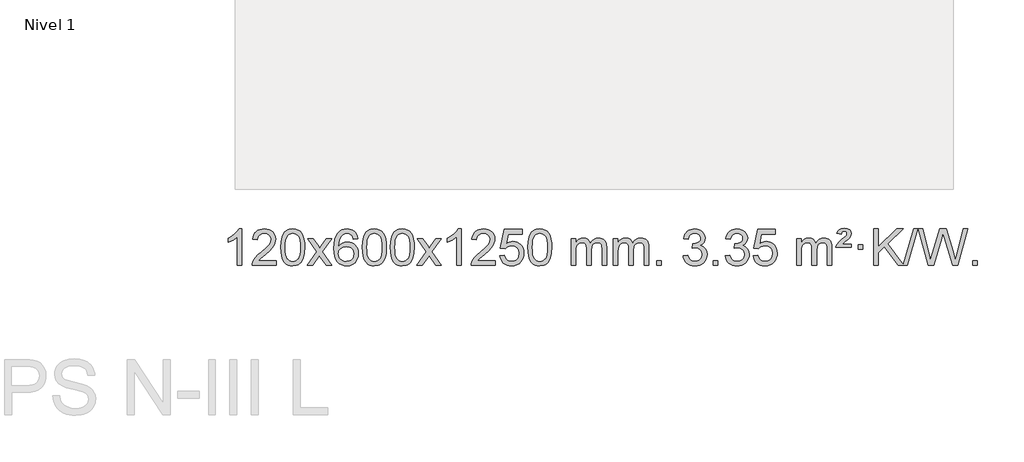
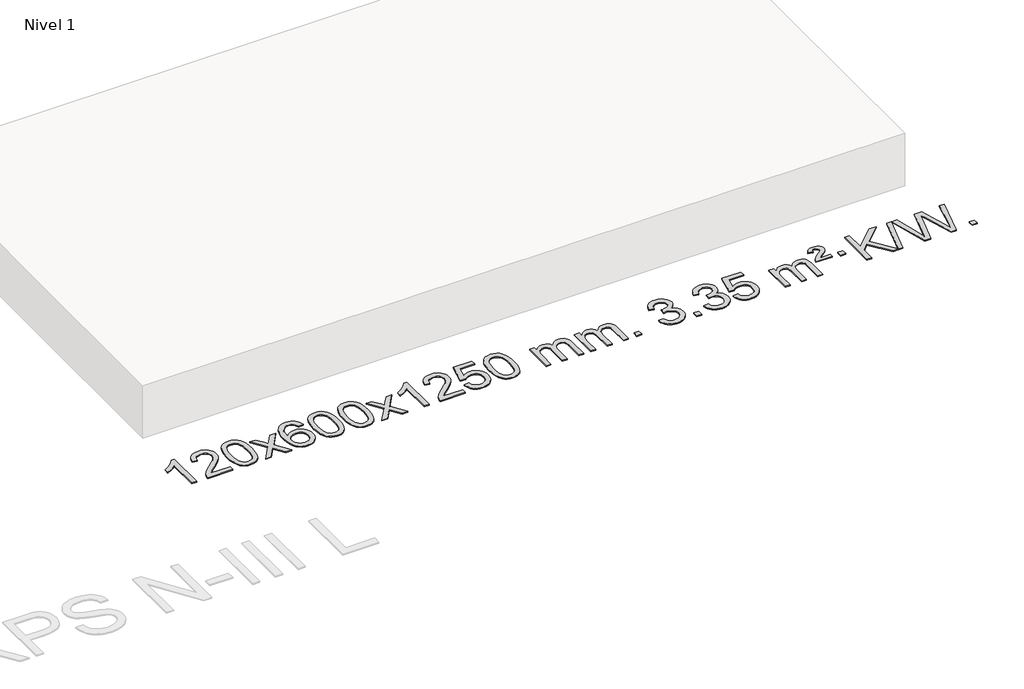
# One storey, part 5 of 7: 1 proxy.
"""IFC4 building model written with IfcOpenShell, lengths in millimetres."""

from ifc_helpers import new_model, si_unit, origin, origin_with_axes, place, context, project, spatial, polyline, outline, extrude, element, save

model = new_model("IFC4")

# Units and contexts
model_context = context("Model", 3, world=origin())
ifc_project = project(units=[si_unit("LENGTHUNIT", "METRE", prefix="MILLI")], contexts=[model_context])

# Site, building, storey
site = spatial("IfcSite", under=ifc_project)
building = spatial("IfcBuilding", under=site)
storey = spatial("IfcBuildingStorey", under=building, Name="Nivel 1", Elevation=0.0)

# Proxy
placement = place(None, origin())
element("IfcBuildingElementProxy", 1, Name="Texto de modelo 1", ObjectType="Texto de modelo 1", at=placement, inside=storey, context=model_context, shape_type="SweptSolid", body=[
    extrude(outline(polyline([(-13245.4422492, -12784.6168569), (-13295.6704043, -12784.6168569), (-13295.6704043, -12471.4757026), (-13316.639678, -12488.4350626), (-13343.249809, -12505.3698971), (-13396.1267145, -12530.7292293), (-13396.1267145, -12483.2479264), (-13356.6775018, -12461.7881434), (-13322.5012645, -12436.2571329), (-13295.5600397, -12409.1074417), (-13277.8158648, -12382.7916163), (-13245.4422492, -12382.7916163), (-13245.4422492, -12784.6168569)])), origin_with_axes(), (0.0, 0.0, 1.0), 10.0),
    extrude(outline(polyline([(-12868.7310862, -12734.3887018), (-12868.7310862, -12784.6168569), (-13132.4289003, -12784.6168569), (-13131.3252543, -12766.9339956), (-13127.0332977, -12749.9868984), (-13114.6479372, -12722.9230463), (-13096.5236176, -12696.6685346), (-13070.3058941, -12669.1877495), (-13033.6403219, -12638.4450775), (-12979.4390413, -12590.301587), (-12946.9182729, -12554.7641863), (-12930.6578887, -12525.9222379), (-12925.2377606, -12497.8651044), (-12930.3513204, -12472.7142386), (-12945.6919996, -12451.8062786), (-12969.2732355, -12437.7163982), (-12999.1084653, -12433.0197713), (-13030.4397485, -12437.6060336), (-13054.7812739, -12451.3648202), (-13070.4898351, -12473.2170107), (-13075.9222259, -12502.0834846), (-13126.1503809, -12495.8049652), (-13121.8308332, -12469.8754159), (-13113.9734869, -12447.2200164), (-13102.5783421, -12427.8387666), (-13087.6453988, -12411.7316666), (-13069.5180135, -12399.0703946), (-13048.5395427, -12390.0266288), (-13024.7099864, -12384.6003694), (-12998.0293447, -12382.7916163), (-12971.1095797, -12384.8027045), (-12947.1512648, -12390.8359692), (-12926.1543999, -12400.8914104), (-12908.1189851, -12414.9690281), (-12893.6336316, -12432.02649), (-12883.2869504, -12451.0214636), (-12877.0789418, -12471.9539492), (-12875.0096056, -12494.8239465), (-12877.241423, -12518.8466408), (-12883.9368753, -12542.4524022), (-12895.8194638, -12566.4628337), (-12913.6126896, -12591.6995386), (-12941.9763914, -12621.829074), (-12985.5704078, -12660.5179972), (-13043.3524066, -12708.8331659), (-13066.0139375, -12734.3887018), (-12868.7310862, -12734.3887018)])), origin_with_axes(), (0.0, 0.0, 1.0), 10.0),
    extrude(outline(polyline([(-12818.5029311, -12586.9415981), (-12814.8118484, -12522.6235626), (-12803.7386004, -12471.3285498), (-12785.3935515, -12432.2717446), (-12773.5354886, -12417.0383643), (-12759.8870665, -12404.6683323), (-12744.4023002, -12395.097269), (-12727.0352044, -12388.2607953), (-12686.654024, -12382.7916163), (-12655.7028855, -12386.0289778), (-12627.9891085, -12395.7410625), (-12604.8125428, -12411.5477256), (-12587.4730381, -12433.0688223), (-12574.3764391, -12460.1204117), (-12563.9285904, -12492.5185527), (-12557.0859853, -12533.6600225), (-12554.805117, -12586.9415981), (-12558.4594114, -12650.8917516), (-12569.4222949, -12702.0641372), (-12587.6569791, -12741.1577305), (-12599.487451, -12756.437096), (-12613.1266759, -12768.8715075), (-12628.6298363, -12778.5069501), (-12646.0521145, -12785.3894091), (-12686.654024, -12790.8953763), (-12714.3187501, -12788.5041433), (-12738.8442164, -12781.3304444), (-12760.2304231, -12769.3742795), (-12778.47737, -12752.6356488), (-12795.988553, -12722.3773547), (-12808.4965408, -12684.6755815), (-12816.0013335, -12639.5303293), (-12818.5029311, -12586.9415981)]), holes=[polyline([(-12768.274776, -12586.8434963), (-12766.803248, -12630.5080234), (-12762.3886641, -12665.8522861), (-12755.0310242, -12692.8762843), (-12744.7303283, -12711.5800181), (-12732.2713914, -12724.3056694), (-12718.4390284, -12733.3954204), (-12703.2332393, -12738.849271), (-12686.654024, -12740.6672212), (-12670.0748088, -12738.8431396), (-12654.8690196, -12733.3708949), (-12641.0366566, -12724.2504871), (-12628.5777197, -12711.4819162), (-12618.2770239, -12692.7475256), (-12610.919384, -12665.7296588), (-12606.5048, -12630.4283156), (-12605.033272, -12586.8434963), (-12606.4557491, -12544.3347317), (-12610.7231802, -12509.6128027), (-12617.8355655, -12482.6777093), (-12627.7929048, -12463.5294515), (-12640.0433752, -12450.1814664), (-12654.0351538, -12440.6471914), (-12669.7682404, -12434.9266264), (-12687.2426352, -12433.0197713), (-12703.7360113, -12434.6997658), (-12718.6842831, -12439.7397491), (-12732.0874504, -12448.1397213), (-12743.9455134, -12459.8996825), (-12754.5895658, -12480.7463289), (-12762.1924604, -12508.8525133), (-12766.7541971, -12544.2182358), (-12768.274776, -12586.8434963)])]), origin_with_axes(), (0.0, 0.0, 1.0), 10.0),
    extrude(outline(polyline([(-12529.6910394, -12784.6168569), (-12422.3675987, -12636.2868364), (-12523.41252, -12489.5264458), (-12462.981771, -12489.5264458), (-12414.2251439, -12560.1597889), (-12391.4655111, -12593.5144231), (-12371.7470362, -12566.2421045), (-12316.2213804, -12489.5264458), (-12255.7906313, -12489.5264458), (-12361.9368496, -12636.2868364), (-12259.7147059, -12784.6168569), (-12320.145455, -12784.6168569), (-12381.6553246, -12695.4422612), (-12392.9370391, -12679.1573516), (-12469.2602903, -12784.6168569), (-12529.6910394, -12784.6168569)])), origin_with_axes(), (0.0, 0.0, 1.0), 10.0),
    extrude(outline(polyline([(-11970.9028142, -12489.5264458), (-12021.1309693, -12495.8049652), (-12029.2243732, -12470.9116168), (-12040.1627312, -12453.9154687), (-12062.9468894, -12438.2436957), (-12090.4889881, -12433.0197713), (-12113.8372321, -12436.0609292), (-12135.8120499, -12445.1844027), (-12154.6843963, -12464.4001055), (-12170.0986519, -12490.850821), (-12180.5097123, -12528.2644199), (-12184.3724733, -12580.3687731), (-12164.2248027, -12556.8611137), (-12140.0794811, -12540.2941611), (-12113.2854091, -12530.4717119), (-12085.1914874, -12527.1975621), (-12061.0584285, -12529.4355109), (-12038.7893051, -12536.1493573), (-12018.3841171, -12547.3391013), (-11999.8428645, -12563.004743), (-11984.4347403, -12582.2143145), (-11973.4289372, -12604.0358482), (-11966.8254554, -12628.469344), (-11964.6242948, -12655.514802), (-11968.7690986, -12691.4813984), (-11981.2035101, -12724.8237699), (-12000.8974596, -12753.1016326), (-12026.8208775, -12773.8747026), (-12057.7965415, -12786.6402078), (-12092.6472291, -12790.8953763), (-12122.5897579, -12788.0749476), (-12149.6321502, -12779.6136617), (-12173.7744061, -12765.5115186), (-12195.0165257, -12745.7685182), (-12212.3345706, -12719.5507947), (-12224.7046027, -12686.0244822), (-12232.1266219, -12645.1895807), (-12234.6006284, -12597.0460903), (-12231.8537761, -12543.0716702), (-12223.6132194, -12497.006713), (-12209.8789583, -12458.8512188), (-12190.6509927, -12428.6051874), (-12169.8104776, -12408.56175), (-12145.6467619, -12394.2450091), (-12118.1598455, -12385.6549645), (-12087.3497284, -12382.7916163), (-12064.2160823, -12384.5635812), (-12043.2774654, -12389.879476), (-12024.5338777, -12398.7393008), (-12007.9853193, -12411.1430554), (-11994.0793799, -12426.6738069), (-11983.2636492, -12444.9146225), (-11975.5381274, -12465.8655021), (-11970.9028142, -12489.5264458)]), holes=[polyline([(-12184.3724733, -12654.7299871), (-12181.4662055, -12676.9868478), (-12172.7474022, -12698.2381644), (-12159.2093448, -12716.5096368), (-12141.8453146, -12729.8269651), (-12120.8883036, -12737.9571571), (-12096.5713038, -12740.6672212), (-12063.425136, -12735.0508894), (-12049.5099995, -12728.0304746), (-12037.366828, -12718.201894), (-12027.5167876, -12705.9636863), (-12020.4810444, -12691.7143904), (-12014.8524499, -12657.1825337), (-12020.407468, -12624.036366), (-12027.3512407, -12610.4155351), (-12037.0725224, -12598.7628729), (-12049.2524821, -12589.4278673), (-12063.5722888, -12582.7600061), (-12098.6314429, -12577.4257172), (-12131.7285598, -12582.7600061), (-12159.4055485, -12598.7628729), (-12170.3285781, -12610.2622509), (-12178.1307421, -12623.4232293), (-12182.8120405, -12638.245808), (-12184.3724733, -12654.7299871)])]), origin_with_axes(), (0.0, 0.0, 1.0), 10.0),
    extrude(outline(polyline([(-11920.6746591, -12586.9415981), (-11916.9835765, -12522.6235626), (-11905.9103284, -12471.3285498), (-11887.5652796, -12432.2717446), (-11875.7072166, -12417.0383643), (-11862.0587946, -12404.6683323), (-11846.5740283, -12395.097269), (-11829.2069324, -12388.2607953), (-11788.8257521, -12382.7916163), (-11757.8746135, -12386.0289778), (-11730.1608366, -12395.7410625), (-11706.9842709, -12411.5477256), (-11689.6447662, -12433.0688223), (-11676.5481671, -12460.1204117), (-11666.1003185, -12492.5185527), (-11659.2577134, -12533.6600225), (-11656.976845, -12586.9415981), (-11660.6311395, -12650.8917516), (-11671.5940229, -12702.0641372), (-11689.8287072, -12741.1577305), (-11701.659179, -12756.437096), (-11715.298404, -12768.8715075), (-11730.8015644, -12778.5069501), (-11748.2238425, -12785.3894091), (-11788.8257521, -12790.8953763), (-11816.4904781, -12788.5041433), (-11841.0159444, -12781.3304444), (-11862.4021511, -12769.3742795), (-11880.6490981, -12752.6356488), (-11898.160281, -12722.3773547), (-11910.6682689, -12684.6755815), (-11918.1730616, -12639.5303293), (-11920.6746591, -12586.9415981)]), holes=[polyline([(-11870.4465041, -12586.8434963), (-11868.9749761, -12630.5080234), (-11864.5603921, -12665.8522861), (-11857.2027522, -12692.8762843), (-11846.9020564, -12711.5800181), (-11834.4431195, -12724.3056694), (-11820.6107564, -12733.3954204), (-11805.4049673, -12738.849271), (-11788.8257521, -12740.6672212), (-11772.2465368, -12738.8431396), (-11757.0407477, -12733.3708949), (-11743.2083847, -12724.2504871), (-11730.7494478, -12711.4819162), (-11720.4487519, -12692.7475256), (-11713.091112, -12665.7296588), (-11708.676528, -12630.4283156), (-11707.2050001, -12586.8434963), (-11708.6274771, -12544.3347317), (-11712.8949083, -12509.6128027), (-11720.0072935, -12482.6777093), (-11729.9646328, -12463.5294515), (-11742.2151033, -12450.1814664), (-11756.2068818, -12440.6471914), (-11771.9399685, -12434.9266264), (-11789.4143633, -12433.0197713), (-11805.9077394, -12434.6997658), (-11820.8560111, -12439.7397491), (-11834.2591785, -12448.1397213), (-11846.1172414, -12459.8996825), (-11856.7612938, -12480.7463289), (-11864.3641884, -12508.8525133), (-11868.9259251, -12544.2182358), (-11870.4465041, -12586.8434963)])]), origin_with_axes(), (0.0, 0.0, 1.0), 10.0),
    extrude(outline(polyline([(-11613.0272093, -12586.9415981), (-11609.3361266, -12522.6235626), (-11598.2628786, -12471.3285498), (-11579.9178297, -12432.2717446), (-11568.0597668, -12417.0383643), (-11554.4113447, -12404.6683323), (-11538.9265784, -12395.097269), (-11521.5594826, -12388.2607953), (-11481.1783022, -12382.7916163), (-11450.2271637, -12386.0289778), (-11422.5133867, -12395.7410625), (-11399.336821, -12411.5477256), (-11381.9973163, -12433.0688223), (-11368.9007173, -12460.1204117), (-11358.4528686, -12492.5185527), (-11351.6102635, -12533.6600225), (-11349.3293952, -12586.9415981), (-11352.9836896, -12650.8917516), (-11363.9465731, -12702.0641372), (-11382.1812573, -12741.1577305), (-11394.0117292, -12756.437096), (-11407.6509541, -12768.8715075), (-11423.1541145, -12778.5069501), (-11440.5763927, -12785.3894091), (-11481.1783022, -12790.8953763), (-11508.8430283, -12788.5041433), (-11533.3684946, -12781.3304444), (-11554.7547013, -12769.3742795), (-11573.0016482, -12752.6356488), (-11590.5128312, -12722.3773547), (-11603.020819, -12684.6755815), (-11610.5256117, -12639.5303293), (-11613.0272093, -12586.9415981)]), holes=[polyline([(-11562.7990542, -12586.8434963), (-11561.3275262, -12630.5080234), (-11556.9129423, -12665.8522861), (-11549.5553024, -12692.8762843), (-11539.2546065, -12711.5800181), (-11526.7956696, -12724.3056694), (-11512.9633066, -12733.3954204), (-11497.7575175, -12738.849271), (-11481.1783022, -12740.6672212), (-11464.599087, -12738.8431396), (-11449.3932978, -12733.3708949), (-11435.5609348, -12724.2504871), (-11423.1019979, -12711.4819162), (-11412.8013021, -12692.7475256), (-11405.4436622, -12665.7296588), (-11401.0290782, -12630.4283156), (-11399.5575502, -12586.8434963), (-11400.9800273, -12544.3347317), (-11405.2474584, -12509.6128027), (-11412.3598437, -12482.6777093), (-11422.317183, -12463.5294515), (-11434.5676534, -12450.1814664), (-11448.559432, -12440.6471914), (-11464.2925187, -12434.9266264), (-11481.7669134, -12433.0197713), (-11498.2602895, -12434.6997658), (-11513.2085613, -12439.7397491), (-11526.6117286, -12448.1397213), (-11538.4697916, -12459.8996825), (-11549.113844, -12480.7463289), (-11556.7167386, -12508.8525133), (-11561.2784753, -12544.2182358), (-11562.7990542, -12586.8434963)])]), origin_with_axes(), (0.0, 0.0, 1.0), 10.0),
    extrude(outline(polyline([(-11324.2153176, -12784.6168569), (-11216.8918769, -12636.2868364), (-11317.9367982, -12489.5264458), (-11257.5060492, -12489.5264458), (-11208.7494221, -12560.1597889), (-11185.9897893, -12593.5144231), (-11166.2713144, -12566.2421045), (-11110.7456586, -12489.5264458), (-11050.3149095, -12489.5264458), (-11156.4611278, -12636.2868364), (-11054.2389841, -12784.6168569), (-11114.6697332, -12784.6168569), (-11176.1796028, -12695.4422612), (-11187.4613173, -12679.1573516), (-11263.7845685, -12784.6168569), (-11324.2153176, -12784.6168569)])), origin_with_axes(), (0.0, 0.0, 1.0), 10.0),
    extrude(outline(polyline([(-10834.4908056, -12784.6168569), (-10884.7189607, -12784.6168569), (-10884.7189607, -12471.4757026), (-10905.6882344, -12488.4350626), (-10932.2983654, -12505.3698971), (-10985.1752709, -12530.7292293), (-10985.1752709, -12483.2479264), (-10945.7260583, -12461.7881434), (-10911.5498209, -12436.2571329), (-10884.6085961, -12409.1074417), (-10866.8644212, -12382.7916163), (-10834.4908056, -12382.7916163), (-10834.4908056, -12784.6168569)])), origin_with_axes(), (0.0, 0.0, 1.0), 10.0),
    extrude(outline(polyline([(-10457.7796426, -12734.3887018), (-10457.7796426, -12784.6168569), (-10721.4774567, -12784.6168569), (-10720.3738107, -12766.9339956), (-10716.0818541, -12749.9868984), (-10703.6964936, -12722.9230463), (-10685.572174, -12696.6685346), (-10659.3544505, -12669.1877495), (-10622.6888783, -12638.4450775), (-10568.4875977, -12590.301587), (-10535.9668293, -12554.7641863), (-10519.7064451, -12525.9222379), (-10514.286317, -12497.8651044), (-10519.3998768, -12472.7142386), (-10534.740556, -12451.8062786), (-10558.3217919, -12437.7163982), (-10588.1570217, -12433.0197713), (-10619.4883049, -12437.6060336), (-10643.8298303, -12451.3648202), (-10659.5383915, -12473.2170107), (-10664.9707823, -12502.0834846), (-10715.1989373, -12495.8049652), (-10710.8793896, -12469.8754159), (-10703.0220433, -12447.2200164), (-10691.6268985, -12427.8387666), (-10676.6939552, -12411.7316666), (-10658.5665699, -12399.0703946), (-10637.5880991, -12390.0266288), (-10613.7585429, -12384.6003694), (-10587.0779012, -12382.7916163), (-10560.1581362, -12384.8027045), (-10536.1998212, -12390.8359692), (-10515.2029563, -12400.8914104), (-10497.1675415, -12414.9690281), (-10482.682188, -12432.02649), (-10472.3355069, -12451.0214636), (-10466.1274982, -12471.9539492), (-10464.058162, -12494.8239465), (-10466.2899794, -12518.8466408), (-10472.9854317, -12542.4524022), (-10484.8680202, -12566.4628337), (-10502.661246, -12591.6995386), (-10531.0249478, -12621.829074), (-10574.6189643, -12660.5179972), (-10632.400963, -12708.8331659), (-10655.0624939, -12734.3887018), (-10457.7796426, -12734.3887018)])), origin_with_axes(), (0.0, 0.0, 1.0), 10.0),
    extrude(outline(polyline([(-10407.5514875, -12677.8820273), (-10357.3233324, -12671.603508), (-10348.1017571, -12701.7575688), (-10332.0130512, -12723.3522419), (-10309.1307911, -12736.3384764), (-10279.5285532, -12740.6672212), (-10260.3986894, -12739.1619707), (-10243.5251686, -12734.6462192), (-10228.9079907, -12727.1199667), (-10216.5471556, -12716.5832132), (-10206.718575, -12703.5571249), (-10199.6981602, -12688.5628679), (-10194.0818284, -12652.6698479), (-10199.342541, -12618.8737553), (-10205.9184316, -12604.9555532), (-10215.1246786, -12593.0239138), (-10226.9919386, -12583.4528505), (-10241.5508686, -12576.6163768), (-10278.7437383, -12571.1471978), (-10303.1097891, -12573.3299643), (-10322.8405268, -12579.8782638), (-10338.5981389, -12589.9091796), (-10351.044813, -12602.5397947), (-10401.2729681, -12596.2612753), (-10357.3233324, -12389.0701357), (-10162.6892315, -12389.0701357), (-10162.6892315, -12439.2982907), (-10316.7091602, -12439.2982907), (-10338.1934687, -12549.9571949), (-10320.4676879, -12537.2530033), (-10302.3127114, -12528.1785808), (-10283.7285393, -12522.7339272), (-10264.7151715, -12520.9190427), (-10240.2540845, -12523.1692543), (-10217.7856917, -12529.9198889), (-10197.3099929, -12541.1709466), (-10178.8269884, -12556.9224273), (-10163.5261631, -12576.2117066), (-10152.5970021, -12598.0761598), (-10146.0395056, -12622.5157871), (-10143.8536734, -12649.5305882), (-10145.821842, -12675.552108), (-10151.7263481, -12699.7587433), (-10161.5671914, -12722.1504941), (-10175.3443722, -12742.7273604), (-10196.215544, -12763.8008673), (-10220.5693321, -12778.8533723), (-10248.4057364, -12787.8848753), (-10279.7247569, -12790.8953763), (-10305.6451092, -12788.9609301), (-10329.0577325, -12783.1575916), (-10349.9626268, -12773.4853608), (-10368.3597923, -12759.9442377), (-10383.666749, -12743.2086726), (-10395.3010171, -12723.9531159), (-10403.2625966, -12702.1775674), (-10407.5514875, -12677.8820273)])), origin_with_axes(), (0.0, 0.0, 1.0), 10.0),
    extrude(outline(polyline([(-10099.9040377, -12586.9415981), (-10096.212955, -12522.6235626), (-10085.1397069, -12471.3285498), (-10066.7946581, -12432.2717446), (-10054.9365951, -12417.0383643), (-10041.2881731, -12404.6683323), (-10025.8034068, -12395.097269), (-10008.4363109, -12388.2607953), (-9968.0551306, -12382.7916163), (-9937.1039921, -12386.0289778), (-9909.3902151, -12395.7410625), (-9886.2136494, -12411.5477256), (-9868.8741447, -12433.0688223), (-9855.7775457, -12460.1204117), (-9845.329697, -12492.5185527), (-9838.4870919, -12533.6600225), (-9836.2062235, -12586.9415981), (-9839.860518, -12650.8917516), (-9850.8234015, -12702.0641372), (-9869.0580857, -12741.1577305), (-9880.8885575, -12756.437096), (-9894.5277825, -12768.8715075), (-9910.0309429, -12778.5069501), (-9927.4532211, -12785.3894091), (-9968.0551306, -12790.8953763), (-9995.7198566, -12788.5041433), (-10020.245323, -12781.3304444), (-10041.6315296, -12769.3742795), (-10059.8784766, -12752.6356488), (-10077.3896596, -12722.3773547), (-10089.8976474, -12684.6755815), (-10097.4024401, -12639.5303293), (-10099.9040377, -12586.9415981)]), holes=[polyline([(-10049.6758826, -12586.8434963), (-10048.2043546, -12630.5080234), (-10043.7897707, -12665.8522861), (-10036.4321308, -12692.8762843), (-10026.1314349, -12711.5800181), (-10013.672498, -12724.3056694), (-9999.840135, -12733.3954204), (-9984.6343459, -12738.849271), (-9968.0551306, -12740.6672212), (-9951.4759154, -12738.8431396), (-9936.2701262, -12733.3708949), (-9922.4377632, -12724.2504871), (-9909.9788263, -12711.4819162), (-9899.6781304, -12692.7475256), (-9892.3204905, -12665.7296588), (-9887.9059066, -12630.4283156), (-9886.4343786, -12586.8434963), (-9887.8568557, -12544.3347317), (-9892.1242868, -12509.6128027), (-9899.236672, -12482.6777093), (-9909.1940114, -12463.5294515), (-9921.4444818, -12450.1814664), (-9935.4362604, -12440.6471914), (-9951.169347, -12434.9266264), (-9968.6437418, -12433.0197713), (-9985.1371179, -12434.6997658), (-10000.0853897, -12439.7397491), (-10013.488557, -12448.1397213), (-10025.34662, -12459.8996825), (-10035.9906724, -12480.7463289), (-10043.5935669, -12508.8525133), (-10048.1553037, -12544.2182358), (-10049.6758826, -12586.8434963)])]), origin_with_axes(), (0.0, 0.0, 1.0), 10.0),
    extrude(outline(polyline([(-9622.7365645, -12784.6168569), (-9622.7365645, -12489.5264458), (-9572.5084094, -12489.5264458), (-9572.5084094, -12538.0868692), (-9557.4007221, -12515.7809575), (-9537.9765528, -12498.3065628), (-9514.8980889, -12487.0125855), (-9488.8275182, -12483.2479264), (-9460.8930121, -12487.0861619), (-9438.5012613, -12498.6008684), (-9421.7748932, -12517.0317563), (-9410.8365352, -12541.6185363), (-9392.5282746, -12516.0813945), (-9371.64484, -12497.8405789), (-9348.1862315, -12486.8960895), (-9322.1524489, -12483.2479264), (-9302.0446322, -12484.7654397), (-9284.3954935, -12489.3179793), (-9269.2050328, -12496.9055455), (-9256.4732501, -12507.5281381), (-9246.4086118, -12521.3083845), (-9239.2195845, -12538.368912), (-9234.9061681, -12558.7097207), (-9233.4683626, -12582.3308105), (-9233.4683626, -12784.6168569), (-9283.6965177, -12784.6168569), (-9283.6965177, -12603.9132208), (-9284.8614774, -12578.860457), (-9288.3563563, -12561.9746734), (-9294.9046558, -12550.410916), (-9305.2298772, -12541.3242307), (-9318.5104172, -12535.4381188), (-9333.9246728, -12533.4760815), (-9361.1356777, -12538.5038021), (-9383.318962, -12553.5869639), (-9391.924335, -12565.1568526), (-9398.07103, -12579.7556365), (-9402.988386, -12618.0398895), (-9402.988386, -12784.6168569), (-9453.2165411, -12784.6168569), (-9453.2165411, -12598.3214145), (-9456.1228088, -12569.9209245), (-9464.8416121, -12549.6628893), (-9480.1822913, -12537.5227834), (-9502.9541868, -12533.4760815), (-9522.3047798, -12536.1738828), (-9540.1347938, -12544.2672867), (-9554.8500736, -12557.5600894), (-9564.8564639, -12575.8560873), (-9570.595423, -12601.239945), (-9572.5084094, -12635.7963271), (-9572.5084094, -12784.6168569), (-9622.7365645, -12784.6168569)])), origin_with_axes(), (0.0, 0.0, 1.0), 10.0),
    extrude(outline(polyline([(-9158.12613, -12784.6168569), (-9158.12613, -12489.5264458), (-9107.8979749, -12489.5264458), (-9107.8979749, -12538.0868692), (-9092.7902877, -12515.7809575), (-9073.3661183, -12498.3065628), (-9050.2876545, -12487.0125855), (-9024.2170838, -12483.2479264), (-8996.2825776, -12487.0861619), (-8973.8908268, -12498.6008684), (-8957.1644588, -12517.0317563), (-8946.2261008, -12541.6185363), (-8927.9178402, -12516.0813945), (-8907.0344056, -12497.8405789), (-8883.575797, -12486.8960895), (-8857.5420145, -12483.2479264), (-8837.4341978, -12484.7654397), (-8819.7850591, -12489.3179793), (-8804.5945983, -12496.9055455), (-8791.8628156, -12507.5281381), (-8781.7981774, -12521.3083845), (-8774.6091501, -12538.368912), (-8770.2957337, -12558.7097207), (-8768.8579282, -12582.3308105), (-8768.8579282, -12784.6168569), (-8819.0860833, -12784.6168569), (-8819.0860833, -12603.9132208), (-8820.2510429, -12578.860457), (-8823.7459219, -12561.9746734), (-8830.2942214, -12550.410916), (-8840.6194427, -12541.3242307), (-8853.8999827, -12535.4381188), (-8869.3142383, -12533.4760815), (-8896.5252433, -12538.5038021), (-8918.7085276, -12553.5869639), (-8927.3139006, -12565.1568526), (-8933.4605956, -12579.7556365), (-8938.3779516, -12618.0398895), (-8938.3779516, -12784.6168569), (-8988.6061066, -12784.6168569), (-8988.6061066, -12598.3214145), (-8991.5123744, -12569.9209245), (-9000.2311777, -12549.6628893), (-9015.5718569, -12537.5227834), (-9038.3437524, -12533.4760815), (-9057.6943453, -12536.1738828), (-9075.5243594, -12544.2672867), (-9090.2396392, -12557.5600894), (-9100.2460294, -12575.8560873), (-9105.9849886, -12601.239945), (-9107.8979749, -12635.7963271), (-9107.8979749, -12784.6168569), (-9158.12613, -12784.6168569)])), origin_with_axes(), (0.0, 0.0, 1.0), 10.0),
    extrude(outline(polyline([(-8680.9586568, -12784.6168569), (-8680.9586568, -12734.3887018), (-8630.7305017, -12734.3887018), (-8630.7305017, -12784.6168569), (-8680.9586568, -12784.6168569)])), origin_with_axes(), (0.0, 0.0, 1.0), 10.0),
    extrude(outline(polyline([(-8392.1467651, -12677.8820273), (-8341.9186101, -12671.603508), (-8330.6736837, -12703.1677831), (-8314.2048331, -12724.4804134), (-8291.7027177, -12736.6205192), (-8262.3579972, -12740.6672212), (-8227.9242425, -12735.0999403), (-8213.6504211, -12728.1408392), (-8201.338637, -12718.3980977), (-8184.3424888, -12693.4802239), (-8178.6771061, -12663.2648494), (-8184.2934379, -12634.5823165), (-8201.1424332, -12611.3199117), (-8226.6489182, -12595.9056561), (-8258.2377189, -12590.7675709), (-8293.4562886, -12596.2612753), (-8287.8644822, -12546.0331203), (-8279.8201293, -12546.6217315), (-8249.7273821, -12543.0164879), (-8222.8229455, -12532.2007572), (-8211.7496974, -12524.0215142), (-8203.8402345, -12513.9047594), (-8199.0945568, -12501.8504926), (-8197.5126642, -12487.8587141), (-8202.0989264, -12466.1659391), (-8215.857713, -12448.568917), (-8236.8515122, -12436.9070578), (-8263.1428122, -12433.0197713), (-8289.483163, -12436.943846), (-8311.0165225, -12448.7160698), (-8326.7373464, -12468.3364429), (-8335.6400907, -12495.8049652), (-8385.8682457, -12489.5264458), (-8379.9146888, -12465.5466711), (-8371.0793895, -12444.4241132), (-8359.362348, -12426.1587721), (-8344.7635642, -12410.7506479), (-8327.7428905, -12398.5185716), (-8308.7601796, -12389.7813742), (-8287.8154313, -12384.5390557), (-8264.9086457, -12382.7916163), (-8233.3321078, -12386.2374443), (-8204.3307439, -12396.5749284), (-8179.8788539, -12412.8843635), (-8161.950738, -12434.2460447), (-8150.9510664, -12458.8573501), (-8147.2845091, -12484.9156581), (-8150.7671254, -12509.1958698), (-8161.214974, -12531.2197386), (-8178.4809023, -12549.9817203), (-8202.4177575, -12564.476271), (-8170.9761096, -12577.1804625), (-8147.6769166, -12598.8119238), (-8133.2559424, -12628.1934325), (-8128.448951, -12664.1477662), (-8130.8524467, -12689.6297257), (-8138.0629338, -12713.100597), (-8150.0804123, -12734.5603801), (-8166.9048822, -12754.0090749), (-8187.4020407, -12770.1468317), (-8210.437585, -12781.6738009), (-8236.011515, -12788.5899824), (-8264.1238308, -12790.8953763), (-8289.5322139, -12788.9272076), (-8312.6842542, -12783.0227016), (-8333.5799515, -12773.1818582), (-8352.2193059, -12759.4046775), (-8367.8481593, -12742.5004998), (-8379.7123537, -12723.2786655), (-8387.811889, -12701.7391747), (-8392.1467651, -12677.8820273)])), origin_with_axes(), (0.0, 0.0, 1.0), 10.0),
    extrude(outline(polyline([(-8059.3852378, -12784.6168569), (-8059.3852378, -12734.3887018), (-8009.1570827, -12734.3887018), (-8009.1570827, -12784.6168569), (-8059.3852378, -12784.6168569)])), origin_with_axes(), (0.0, 0.0, 1.0), 10.0),
    extrude(outline(polyline([(-7927.5363307, -12677.8820273), (-7877.3081756, -12671.603508), (-7866.0632493, -12703.1677831), (-7849.5943986, -12724.4804134), (-7827.0922833, -12736.6205192), (-7797.7475628, -12740.6672212), (-7763.313808, -12735.0999403), (-7749.0399866, -12728.1408392), (-7736.7282025, -12718.3980977), (-7719.7320543, -12693.4802239), (-7714.0666716, -12663.2648494), (-7719.6830034, -12634.5823165), (-7736.5319988, -12611.3199117), (-7762.0384838, -12595.9056561), (-7793.6272844, -12590.7675709), (-7828.8458541, -12596.2612753), (-7823.2540478, -12546.0331203), (-7815.2096948, -12546.6217315), (-7785.1169476, -12543.0164879), (-7758.212511, -12532.2007572), (-7747.139263, -12524.0215142), (-7739.2298001, -12513.9047594), (-7734.4841224, -12501.8504926), (-7732.9022298, -12487.8587141), (-7737.488492, -12466.1659391), (-7751.2472786, -12448.568917), (-7772.2410778, -12436.9070578), (-7798.5323777, -12433.0197713), (-7824.8727286, -12436.943846), (-7846.406088, -12448.7160698), (-7862.1269119, -12468.3364429), (-7871.0296562, -12495.8049652), (-7921.2578113, -12489.5264458), (-7915.3042543, -12465.5466711), (-7906.4689551, -12444.4241132), (-7894.7519136, -12426.1587721), (-7880.1531297, -12410.7506479), (-7863.1324561, -12398.5185716), (-7844.1497451, -12389.7813742), (-7823.2049969, -12384.5390557), (-7800.2982113, -12382.7916163), (-7768.7216734, -12386.2374443), (-7739.7203094, -12396.5749284), (-7715.2684195, -12412.8843635), (-7697.3403036, -12434.2460447), (-7686.3406319, -12458.8573501), (-7682.6740747, -12484.9156581), (-7686.1566909, -12509.1958698), (-7696.6045396, -12531.2197386), (-7713.8704679, -12549.9817203), (-7737.807323, -12564.476271), (-7706.3656752, -12577.1804625), (-7683.0664822, -12598.8119238), (-7668.645508, -12628.1934325), (-7663.8385165, -12664.1477662), (-7666.2420122, -12689.6297257), (-7673.4524994, -12713.100597), (-7685.4699779, -12734.5603801), (-7702.2944478, -12754.0090749), (-7722.7916063, -12770.1468317), (-7745.8271505, -12781.6738009), (-7771.4010806, -12788.5899824), (-7799.5133964, -12790.8953763), (-7824.9217795, -12788.9272076), (-7848.0738197, -12783.0227016), (-7868.9695171, -12773.1818582), (-7887.6088715, -12759.4046775), (-7903.2377249, -12742.5004998), (-7915.1019193, -12723.2786655), (-7923.2014545, -12701.7391747), (-7927.5363307, -12677.8820273)])), origin_with_axes(), (0.0, 0.0, 1.0), 10.0),
    extrude(outline(polyline([(-7619.8888809, -12677.8820273), (-7569.6607258, -12671.603508), (-7560.4391504, -12701.7575688), (-7544.3504445, -12723.3522419), (-7521.4681844, -12736.3384764), (-7491.8659465, -12740.6672212), (-7472.7360828, -12739.1619707), (-7455.8625619, -12734.6462192), (-7441.245384, -12727.1199667), (-7428.884549, -12716.5832132), (-7419.0559683, -12703.5571249), (-7412.0355536, -12688.5628679), (-7406.4192218, -12652.6698479), (-7411.6799343, -12618.8737553), (-7418.255825, -12604.9555532), (-7427.4620719, -12593.0239138), (-7439.3293319, -12583.4528505), (-7453.8882619, -12576.6163768), (-7491.0811316, -12571.1471978), (-7515.4471824, -12573.3299643), (-7535.1779201, -12579.8782638), (-7550.9355322, -12589.9091796), (-7563.3822064, -12602.5397947), (-7613.6103615, -12596.2612753), (-7569.6607258, -12389.0701357), (-7375.0266249, -12389.0701357), (-7375.0266249, -12439.2982907), (-7529.0465535, -12439.2982907), (-7550.530862, -12549.9571949), (-7532.8050812, -12537.2530033), (-7514.6501048, -12528.1785808), (-7496.0659326, -12522.7339272), (-7477.0525649, -12520.9190427), (-7452.5914779, -12523.1692543), (-7430.123085, -12529.9198889), (-7409.6473863, -12541.1709466), (-7391.1643817, -12556.9224273), (-7375.8635564, -12576.2117066), (-7364.9343955, -12598.0761598), (-7358.3768989, -12622.5157871), (-7356.1910667, -12649.5305882), (-7358.1592354, -12675.552108), (-7364.0637414, -12699.7587433), (-7373.9045848, -12722.1504941), (-7387.6817655, -12742.7273604), (-7408.5529374, -12763.8008673), (-7432.9067254, -12778.8533723), (-7460.7431297, -12787.8848753), (-7492.0621503, -12790.8953763), (-7517.9825025, -12788.9609301), (-7541.3951258, -12783.1575916), (-7562.3000202, -12773.4853608), (-7580.6971856, -12759.9442377), (-7596.0041423, -12743.2086726), (-7607.6384104, -12723.9531159), (-7615.5999899, -12702.1775674), (-7619.8888809, -12677.8820273)])), origin_with_axes(), (0.0, 0.0, 1.0), 10.0),
    extrude(outline(polyline([(-7142.7214076, -12784.6168569), (-7142.7214076, -12489.5264458), (-7092.4932526, -12489.5264458), (-7092.4932526, -12538.0868692), (-7077.3855653, -12515.7809575), (-7057.961396, -12498.3065628), (-7034.8829321, -12487.0125855), (-7008.8123614, -12483.2479264), (-6980.8778552, -12487.0861619), (-6958.4861045, -12498.6008684), (-6941.7597364, -12517.0317563), (-6930.8213784, -12541.6185363), (-6912.5131178, -12516.0813945), (-6891.6296832, -12497.8405789), (-6868.1710746, -12486.8960895), (-6842.1372921, -12483.2479264), (-6822.0294754, -12484.7654397), (-6804.3803367, -12489.3179793), (-6789.189876, -12496.9055455), (-6776.4580932, -12507.5281381), (-6766.393455, -12521.3083845), (-6759.2044277, -12538.368912), (-6754.8910113, -12558.7097207), (-6753.4532058, -12582.3308105), (-6753.4532058, -12784.6168569), (-6803.6813609, -12784.6168569), (-6803.6813609, -12603.9132208), (-6804.8463205, -12578.860457), (-6808.3411995, -12561.9746734), (-6814.889499, -12550.410916), (-6825.2147203, -12541.3242307), (-6838.4952604, -12535.4381188), (-6853.909516, -12533.4760815), (-6881.1205209, -12538.5038021), (-6903.3038052, -12553.5869639), (-6911.9091782, -12565.1568526), (-6918.0558732, -12579.7556365), (-6922.9732292, -12618.0398895), (-6922.9732292, -12784.6168569), (-6973.2013843, -12784.6168569), (-6973.2013843, -12598.3214145), (-6976.107652, -12569.9209245), (-6984.8264553, -12549.6628893), (-7000.1671345, -12537.5227834), (-7022.93903, -12533.4760815), (-7042.289623, -12536.1738828), (-7060.119637, -12544.2672867), (-7074.8349168, -12557.5600894), (-7084.8413071, -12575.8560873), (-7090.5802662, -12601.239945), (-7092.4932526, -12635.7963271), (-7092.4932526, -12784.6168569), (-7142.7214076, -12784.6168569)])), origin_with_axes(), (0.0, 0.0, 1.0), 10.0),
    extrude(outline(polyline([(-6709.5035701, -12583.7042366), (-6705.6775974, -12567.8853108), (-6697.3389388, -12552.0173341), (-6675.8301048, -12526.878731), (-6643.8734222, -12499.1404286), (-6599.7275828, -12461.7636179), (-6592.5906721, -12450.2366487), (-6590.2117018, -12438.4153739), (-6592.1001627, -12426.324319), (-6597.7655455, -12416.538658), (-6607.1342736, -12410.0639348), (-6620.1327708, -12407.9056938), (-6632.5671822, -12409.5243746), (-6641.4208756, -12414.3804169), (-6647.8465477, -12423.8472469), (-6652.9968957, -12439.2982907), (-6703.2250507, -12433.0197713), (-6692.3847946, -12407.8075919), (-6675.7565284, -12390.247358), (-6651.9913515, -12379.9466622), (-6619.7403633, -12376.5130969), (-6583.9577079, -12380.645638), (-6559.2115124, -12393.0432612), (-6544.7905382, -12411.3760473), (-6539.9835467, -12433.3140769), (-6544.0792996, -12456.2208625), (-6556.3665583, -12477.8523238), (-6576.8943736, -12497.6689006), (-6613.3637421, -12525.7260341), (-6638.9683289, -12552.3116396), (-6539.9835467, -12552.3116396), (-6539.9835467, -12583.7042366), (-6709.5035701, -12583.7042366)])), origin_with_axes(), (0.0, 0.0, 1.0), 10.0),
    extrude(outline(polyline([(-6464.6413141, -12608.8183141), (-6464.6413141, -12558.590159), (-6414.4131591, -12558.590159), (-6414.4131591, -12608.8183141), (-6464.6413141, -12608.8183141)])), origin_with_axes(), (0.0, 0.0, 1.0), 10.0),
    extrude(outline(polyline([(-6023.7715311, -12784.6168569), (-6177.2028486, -12581.938403), (-6244.8931357, -12646.4894304), (-6244.8931357, -12784.6168569), (-6295.1212908, -12784.6168569), (-6295.1212908, -12382.7916163), (-6244.8931357, -12382.7916163), (-6244.8931357, -12579.4858564), (-6038.8792184, -12382.7916163), (-5968.6382828, -12382.7916163), (-6141.5918714, -12547.9951576), (-5966.9382616, -12778.5723371), (-5855.6249339, -12382.7916163), (-5810.301872, -12382.7916163), (-5923.315221, -12784.6168569), (-5962.3597634, -12784.6168569), (-5968.6382828, -12784.6168569), (-6023.7715311, -12784.6168569)])), origin_with_axes(), (0.0, 0.0, 1.0), 10.0),
    extrude(outline(polyline([(-5695.8169951, -12784.6168569), (-5805.3967788, -12382.7916163), (-5753.5989939, -12382.7916163), (-5690.0289851, -12646.8818379), (-5670.408612, -12728.404488), (-5649.4148128, -12656.299617), (-5569.7560981, -12382.7916163), (-5495.1005786, -12382.7916163), (-5437.220478, -12581.0554862), (-5412.4252315, -12654.6318852), (-5394.1537591, -12728.404488), (-5375.1219972, -12649.2362826), (-5310.9633773, -12382.7916163), (-5259.1655923, -12382.7916163), (-5368.8434778, -12784.6168569), (-5422.5051982, -12784.6168569), (-5518.84123, -12474.6149623), (-5532.2811856, -12431.3520396), (-5547.3888728, -12483.4441302), (-5635.1900423, -12784.6168569), (-5695.8169951, -12784.6168569)])), origin_with_axes(), (0.0, 0.0, 1.0), 10.0),
    extrude(outline(polyline([(-5202.6589179, -12784.6168569), (-5202.6589179, -12734.3887018), (-5152.4307628, -12734.3887018), (-5152.4307628, -12784.6168569), (-5202.6589179, -12784.6168569)])), origin_with_axes(), (0.0, 0.0, 1.0), 10.0),
])

save(model, "model.ifc")
